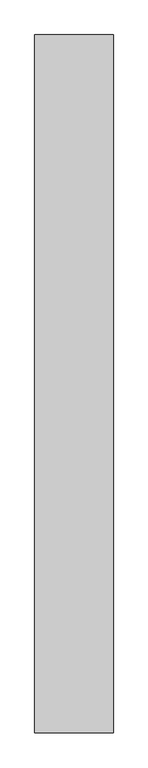
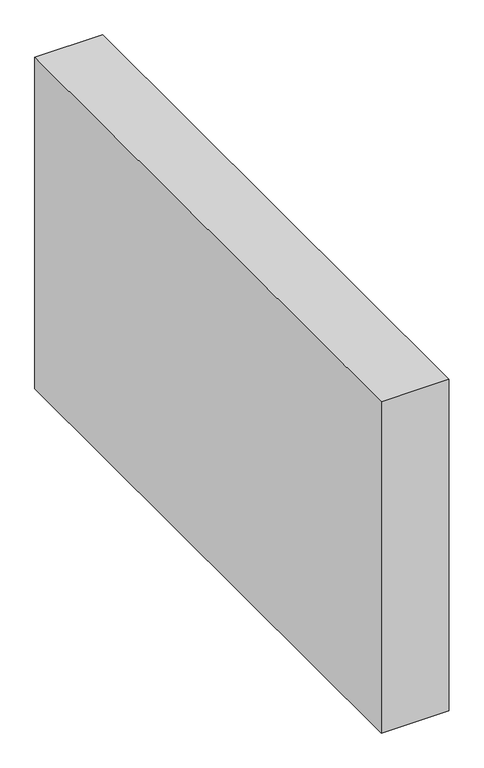
"""IFC4 building model written with IfcOpenShell, lengths in millimetres: proxy geometry."""

import ifcopenshell
import ifcopenshell.guid

model = None  # the IFC model being written
_history = None  # IfcOwnerHistory: only IFC2X3 demands one
_inside = {}  # id of a spatial element -> (the spatial element, [elements in it])
_under = {}  # id of a project, library or spatial element -> (it, [spatial elements below it])
_declared = {}  # id of a project -> (the project, [libraries it declares])
_typed = {}  # id of a type object -> (the type object, [elements of that type])
_made_of = {}  # id of a material, layer set ... -> (it, [elements and type objects made of it])


def new_model(schema):
    """Start an empty IFC model of exactly this schema.

    Asked for "IFC4X3", IfcOpenShell would pick the latest addendum, in which some entities
    have other attributes; the version numbers below select the first issue.
    IFC2X3 requires an IfcOwnerHistory on every rooted entity: one is made here for all.
    """
    global model, _history
    if schema == "IFC4X3":
        model = ifcopenshell.file(schema_version=(4, 3, 0, 0))
    else:
        model = ifcopenshell.file(schema=schema)
    _inside.clear()
    _under.clear()
    _declared.clear()
    _typed.clear()
    _made_of.clear()
    _history = None
    if model.schema == "IFC2X3":
        org = make("IfcOrganization", Name="unknown")
        user = make(
            "IfcPersonAndOrganization",
            ThePerson=make("IfcPerson", FamilyName="unknown"),
            TheOrganization=org,
        )
        app = make(
            "IfcApplication",
            ApplicationDeveloper=org,
            Version="unknown",
            ApplicationFullName="unknown",
            ApplicationIdentifier="unknown",
        )
        _history = make(
            "IfcOwnerHistory",
            OwningUser=user,
            OwningApplication=app,
            ChangeAction="ADDED",
            CreationDate=0,
        )
    return model


def make(cls, **values):
    """One entity of the class cls with the attributes given. An attribute that is None is left unset."""
    return model.create_entity(
        cls, **{name: value for name, value in values.items() if value is not None}
    )


def rooted(cls, **values):
    """An entity with a GlobalId (a new one), such as an element, a storey or a relation."""
    return make(cls, GlobalId=ifcopenshell.guid.new(), OwnerHistory=_history, **values)


def si_unit(unit_type, name, prefix=None):
    """IfcSIUnit, for example si_unit("LENGTHUNIT", "METRE", prefix="MILLI")."""
    return make("IfcSIUnit", UnitType=unit_type, Prefix=prefix, Name=name)


def assignment(units):
    """IfcUnitAssignment: the units of a project."""
    return None if units is None else make("IfcUnitAssignment", Units=units)


def point(xyz):
    """IfcCartesianPoint."""
    return None if xyz is None else make("IfcCartesianPoint", Coordinates=xyz)


def direction(xyz):
    """IfcDirection."""
    return None if xyz is None else make("IfcDirection", DirectionRatios=xyz)


def frame(location, z_axis=None, x_axis=None):
    """IfcAxis2Placement3D, a coordinate frame: its origin and axes. An axis left out is left unset."""
    return make(
        "IfcAxis2Placement3D",
        Location=point(location),
        Axis=direction(z_axis),
        RefDirection=direction(x_axis),
    )


def origin():
    """The frame at (0, 0, 0) with its axes left unset."""
    return frame((0.0, 0.0, 0.0))


def origin_with_axes():
    """The frame at (0, 0, 0) with the z axis (0, 0, 1) and the x axis (1, 0, 0) written out."""
    return frame((0.0, 0.0, 0.0), z_axis=(0.0, 0.0, 1.0), x_axis=(1.0, 0.0, 0.0))


def place(relative_to, where):
    """IfcLocalPlacement: puts the frame where relative to a parent placement (None: the world)."""
    return make(
        "IfcLocalPlacement", PlacementRelTo=relative_to, RelativePlacement=where
    )


def context(
    kind, dimensions, precision=None, world=None, true_north=None, identifier=None
):
    """IfcGeometricRepresentationContext, for example the 3D "Model" context."""
    return make(
        "IfcGeometricRepresentationContext",
        ContextIdentifier=identifier,
        ContextType=kind,
        CoordinateSpaceDimension=dimensions,
        Precision=precision,
        WorldCoordinateSystem=world,
        TrueNorth=true_north,
    )


def project(units=None, contexts=None):
    """IfcProject with its units and contexts."""
    return rooted(
        "IfcProject",
        Name="project",
        RepresentationContexts=contexts,
        UnitsInContext=assignment(units),
    )


def spatial(cls, under=None, at=None, **own):
    """A site, building, storey or space (cls), placed at a placement, below another one or the project."""
    s = rooted(cls, ObjectPlacement=at, **own)
    if under is not None:
        _under.setdefault(under.id(), (under, []))[1].append(s)
    return s


def polyline(points):
    """IfcPolyline through the points."""
    return make("IfcPolyline", Points=[point(p) for p in points])


def outline(outer, holes=None, kind="AREA"):
    """IfcArbitraryClosedProfileDef: a profile drawn as a closed curve; with holes, ...WithVoids."""
    if holes is None:
        return make("IfcArbitraryClosedProfileDef", ProfileType=kind, OuterCurve=outer)
    return make(
        "IfcArbitraryProfileDefWithVoids",
        ProfileType=kind,
        OuterCurve=outer,
        InnerCurves=holes,
    )


def extrude(swept, where, along, depth):
    """IfcExtrudedAreaSolid: the profile swept, set in the frame where, extruded along a direction by depth."""
    return make(
        "IfcExtrudedAreaSolid",
        SweptArea=swept,
        Position=where,
        ExtrudedDirection=direction(along),
        Depth=depth,
    )


def shape(context_of_items, identifier, shape_type, items):
    """IfcShapeRepresentation: the items that make up one representation, for example the "Body"."""
    return make(
        "IfcShapeRepresentation",
        ContextOfItems=context_of_items,
        RepresentationIdentifier=identifier,
        RepresentationType=shape_type,
        Items=items,
    )


def source(mapping_origin, context_of_items, identifier, shape_type, items):
    """IfcRepresentationMap: a shape defined once, which mapped items show again and again."""
    return make(
        "IfcRepresentationMap",
        MappingOrigin=mapping_origin,
        MappedRepresentation=shape(context_of_items, identifier, shape_type, items),
    )


def transform(
    local_origin,
    x_axis=None,
    y_axis=None,
    z_axis=None,
    scale=None,
    scale2=None,
    scale3=None,
    uniform=True,
):
    """IfcCartesianTransformationOperator3D, or its non-uniform kind. x_axis, y_axis, z_axis: its Axis1, 2, 3."""
    if uniform:
        return make(
            "IfcCartesianTransformationOperator3D",
            Axis1=direction(x_axis),
            Axis2=direction(y_axis),
            LocalOrigin=point(local_origin),
            Scale=scale,
            Axis3=direction(z_axis),
        )
    return make(
        "IfcCartesianTransformationOperator3DnonUniform",
        Axis1=direction(x_axis),
        Axis2=direction(y_axis),
        LocalOrigin=point(local_origin),
        Scale=scale,
        Axis3=direction(z_axis),
        Scale2=scale2,
        Scale3=scale3,
    )


def mapped(mapping_source, mapping_target):
    """IfcMappedItem: shows the shape of a source again, moved by a transform."""
    return make(
        "IfcMappedItem", MappingSource=mapping_source, MappingTarget=mapping_target
    )


def made_of(thing, what):
    """Note that an element or type object is made of a material, layer set ...; save() writes the relation."""
    if what is not None:
        _made_of.setdefault(what.id(), (what, []))[1].append(thing)
    return thing


def element(
    cls,
    number,
    at=None,
    inside=None,
    cuts=None,
    type_object=None,
    material=None,
    context=None,
    identifier="Body",
    shape_type=None,
    held_by="IfcProductDefinitionShape",
    body=None,
    shapes=None,
    **own,
):
    """One element of the class cls, such as IfcWall. Its Tag is "e" and its number.

    at: its placement. inside: the storey or other place that contains it. cuts: it is an
    opening in that element (IfcRelVoidsElement). A single representation is given by context,
    identifier, shape_type and body (its items); several are given by shapes. held_by: the class
    of the entity that holds the representations. save() writes the other relations.
    """
    e = rooted(cls, Tag="e%d" % number, ObjectPlacement=at, **own)
    if body is not None:
        shapes = [shape(context, identifier, shape_type, body)]
    if shapes is not None:
        e.Representation = make(held_by, Representations=shapes)
    if inside is not None:
        _inside.setdefault(inside.id(), (inside, []))[1].append(e)
    if cuts is not None:
        rooted(
            "IfcRelVoidsElement", RelatingBuildingElement=cuts, RelatedOpeningElement=e
        )
    if type_object is not None:
        _typed.setdefault(type_object.id(), (type_object, []))[1].append(e)
    return made_of(e, material)


def aggregate(whole, parts):
    """IfcRelAggregates: a whole, such as a stair, and the parts it consists of."""
    return rooted("IfcRelAggregates", RelatingObject=whole, RelatedObjects=parts)


def save(model, path):
    """Write the relations noted so far, then the file.

    IfcRelAggregates (storeys below a building ...), IfcRelContainedInSpatialStructure (elements
    in a storey), IfcRelDefinesByType, IfcRelAssociatesMaterial and IfcRelDeclares: one each for
    every whole, place, type object, material and project.
    """
    for whole, parts in _under.values():
        aggregate(whole, parts)
    for where, things in _inside.values():
        rooted(
            "IfcRelContainedInSpatialStructure",
            RelatedElements=things,
            RelatingStructure=where,
        )
    for kind, things in _typed.values():
        rooted("IfcRelDefinesByType", RelatedObjects=things, RelatingType=kind)
    for what, things in _made_of.values():
        rooted("IfcRelAssociatesMaterial", RelatedObjects=things, RelatingMaterial=what)
    for by, libraries in _declared.values():
        rooted("IfcRelDeclares", RelatingContext=by, RelatedDefinitions=libraries)
    model.write(path)


def generic_models_12ad48f9(model_context):
    return source(origin(), model_context, "Body", "SweptSolid", [
        extrude(outline(polyline([(150.0, 1332.1439115), (150.0, 0.0), (0.0, 0.0), (0.0, 1332.1439115), (150.0, 1332.1439115)])), origin_with_axes(), (0.0, 0.0, 1.0), 776.6553396),
    ])


if __name__ == "__main__":
    model = new_model("IFC4")
    model_context = context("Model", 3, world=origin())
    ifc_project = project(units=[si_unit("LENGTHUNIT", "METRE", prefix="MILLI")], contexts=[model_context])
    site = spatial("IfcSite", under=ifc_project)
    building = spatial("IfcBuilding", under=site)
    placement = place(None, origin())
    generic_models_shape = generic_models_12ad48f9(model_context)
    element("IfcBuildingElementProxy", 1, Name="Generic Models", at=placement, inside=building, context=model_context, shape_type="MappedRepresentation", body=[
        mapped(generic_models_shape, transform((0.0, 0.0, 0.0), x_axis=(1.0, 0.0, 0.0), y_axis=(0.0, 1.0, 0.0), z_axis=(0.0, 0.0, 1.0))),
    ])
    save(model, "model.ifc")
